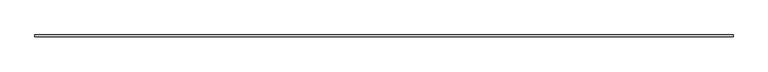
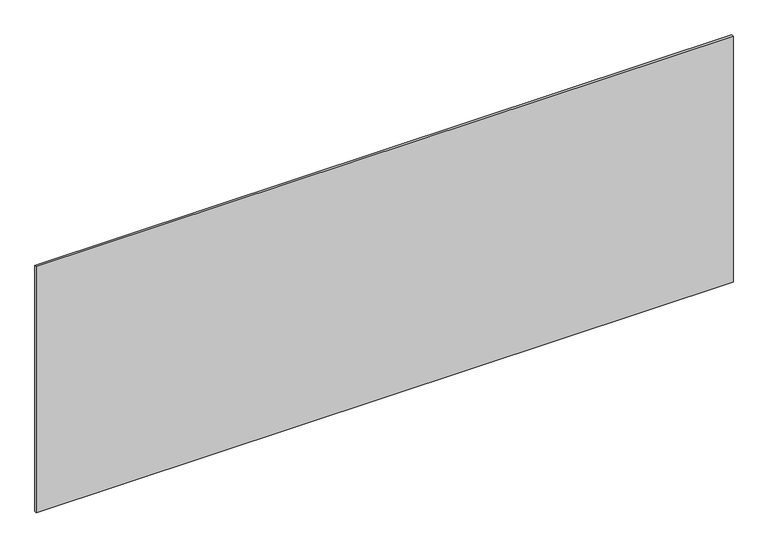
"""IFC4 building model written with IfcOpenShell, lengths in millimetres: plate geometry."""

from ifc_helpers import new_model, si_unit, origin, origin_with_axes, place, context, project, spatial, polyline, outline, extrude, source, transform, mapped, element, save


def plate_8ad4f2da(model_context):
    return source(origin(), model_context, "Body", "SweptSolid", [
        extrude(outline(polyline([(1715.0, -5.0), (-1715.0, -5.0), (-1715.0, 5.0), (1715.0, 5.0), (1715.0, -5.0)])), origin_with_axes(), (0.0, 0.0, 1.0), 1281.207091),
    ])


if __name__ == "__main__":
    model = new_model("IFC4")
    model_context = context("Model", 3, world=origin())
    ifc_project = project(units=[si_unit("LENGTHUNIT", "METRE", prefix="MILLI")], contexts=[model_context])
    site = spatial("IfcSite", under=ifc_project)
    building = spatial("IfcBuilding", under=site)
    placement = place(None, origin())
    plate_shape = plate_8ad4f2da(model_context)
    element("IfcPlate", 1, at=placement, inside=building, context=model_context, shape_type="MappedRepresentation", body=[
        mapped(plate_shape, transform((0.0, 0.0, 0.0), x_axis=(1.0, 0.0, 0.0), y_axis=(0.0, 1.0, 0.0), z_axis=(0.0, 0.0, 1.0))),
    ])
    save(model, "model.ifc")
